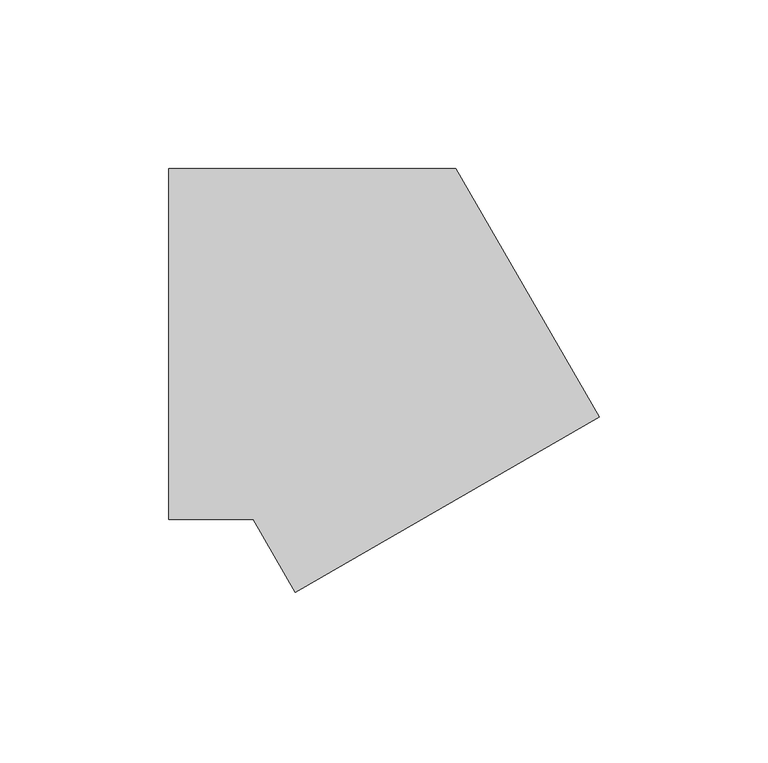
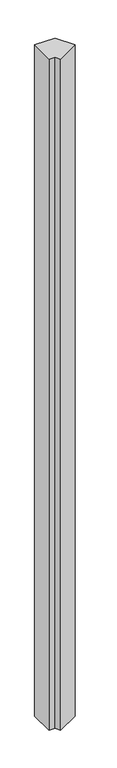
"""IFC4 building model written with IfcOpenShell, lengths in millimetres: member geometry."""

import ifcopenshell
import ifcopenshell.guid

model = None  # the IFC model being written
_history = None  # IfcOwnerHistory: only IFC2X3 demands one
_inside = {}  # id of a spatial element -> (the spatial element, [elements in it])
_under = {}  # id of a project, library or spatial element -> (it, [spatial elements below it])
_declared = {}  # id of a project -> (the project, [libraries it declares])
_typed = {}  # id of a type object -> (the type object, [elements of that type])
_made_of = {}  # id of a material, layer set ... -> (it, [elements and type objects made of it])


def new_model(schema):
    """Start an empty IFC model of exactly this schema.

    Asked for "IFC4X3", IfcOpenShell would pick the latest addendum, in which some entities
    have other attributes; the version numbers below select the first issue.
    IFC2X3 requires an IfcOwnerHistory on every rooted entity: one is made here for all.
    """
    global model, _history
    if schema == "IFC4X3":
        model = ifcopenshell.file(schema_version=(4, 3, 0, 0))
    else:
        model = ifcopenshell.file(schema=schema)
    _inside.clear()
    _under.clear()
    _declared.clear()
    _typed.clear()
    _made_of.clear()
    _history = None
    if model.schema == "IFC2X3":
        org = make("IfcOrganization", Name="unknown")
        user = make(
            "IfcPersonAndOrganization",
            ThePerson=make("IfcPerson", FamilyName="unknown"),
            TheOrganization=org,
        )
        app = make(
            "IfcApplication",
            ApplicationDeveloper=org,
            Version="unknown",
            ApplicationFullName="unknown",
            ApplicationIdentifier="unknown",
        )
        _history = make(
            "IfcOwnerHistory",
            OwningUser=user,
            OwningApplication=app,
            ChangeAction="ADDED",
            CreationDate=0,
        )
    return model


def make(cls, **values):
    """One entity of the class cls with the attributes given. An attribute that is None is left unset."""
    return model.create_entity(
        cls, **{name: value for name, value in values.items() if value is not None}
    )


def rooted(cls, **values):
    """An entity with a GlobalId (a new one), such as an element, a storey or a relation."""
    return make(cls, GlobalId=ifcopenshell.guid.new(), OwnerHistory=_history, **values)


def si_unit(unit_type, name, prefix=None):
    """IfcSIUnit, for example si_unit("LENGTHUNIT", "METRE", prefix="MILLI")."""
    return make("IfcSIUnit", UnitType=unit_type, Prefix=prefix, Name=name)


def assignment(units):
    """IfcUnitAssignment: the units of a project."""
    return None if units is None else make("IfcUnitAssignment", Units=units)


def point(xyz):
    """IfcCartesianPoint."""
    return None if xyz is None else make("IfcCartesianPoint", Coordinates=xyz)


def direction(xyz):
    """IfcDirection."""
    return None if xyz is None else make("IfcDirection", DirectionRatios=xyz)


def frame(location, z_axis=None, x_axis=None):
    """IfcAxis2Placement3D, a coordinate frame: its origin and axes. An axis left out is left unset."""
    return make(
        "IfcAxis2Placement3D",
        Location=point(location),
        Axis=direction(z_axis),
        RefDirection=direction(x_axis),
    )


def origin():
    """The frame at (0, 0, 0) with its axes left unset."""
    return frame((0.0, 0.0, 0.0))


def place(relative_to, where):
    """IfcLocalPlacement: puts the frame where relative to a parent placement (None: the world)."""
    return make(
        "IfcLocalPlacement", PlacementRelTo=relative_to, RelativePlacement=where
    )


def context(
    kind, dimensions, precision=None, world=None, true_north=None, identifier=None
):
    """IfcGeometricRepresentationContext, for example the 3D "Model" context."""
    return make(
        "IfcGeometricRepresentationContext",
        ContextIdentifier=identifier,
        ContextType=kind,
        CoordinateSpaceDimension=dimensions,
        Precision=precision,
        WorldCoordinateSystem=world,
        TrueNorth=true_north,
    )


def project(units=None, contexts=None):
    """IfcProject with its units and contexts."""
    return rooted(
        "IfcProject",
        Name="project",
        RepresentationContexts=contexts,
        UnitsInContext=assignment(units),
    )


def spatial(cls, under=None, at=None, **own):
    """A site, building, storey or space (cls), placed at a placement, below another one or the project."""
    s = rooted(cls, ObjectPlacement=at, **own)
    if under is not None:
        _under.setdefault(under.id(), (under, []))[1].append(s)
    return s


def polyline(points):
    """IfcPolyline through the points."""
    return make("IfcPolyline", Points=[point(p) for p in points])


def outline(outer, holes=None, kind="AREA"):
    """IfcArbitraryClosedProfileDef: a profile drawn as a closed curve; with holes, ...WithVoids."""
    if holes is None:
        return make("IfcArbitraryClosedProfileDef", ProfileType=kind, OuterCurve=outer)
    return make(
        "IfcArbitraryProfileDefWithVoids",
        ProfileType=kind,
        OuterCurve=outer,
        InnerCurves=holes,
    )


def extrude(swept, where, along, depth):
    """IfcExtrudedAreaSolid: the profile swept, set in the frame where, extruded along a direction by depth."""
    return make(
        "IfcExtrudedAreaSolid",
        SweptArea=swept,
        Position=where,
        ExtrudedDirection=direction(along),
        Depth=depth,
    )


def shape(context_of_items, identifier, shape_type, items):
    """IfcShapeRepresentation: the items that make up one representation, for example the "Body"."""
    return make(
        "IfcShapeRepresentation",
        ContextOfItems=context_of_items,
        RepresentationIdentifier=identifier,
        RepresentationType=shape_type,
        Items=items,
    )


def source(mapping_origin, context_of_items, identifier, shape_type, items):
    """IfcRepresentationMap: a shape defined once, which mapped items show again and again."""
    return make(
        "IfcRepresentationMap",
        MappingOrigin=mapping_origin,
        MappedRepresentation=shape(context_of_items, identifier, shape_type, items),
    )


def transform(
    local_origin,
    x_axis=None,
    y_axis=None,
    z_axis=None,
    scale=None,
    scale2=None,
    scale3=None,
    uniform=True,
):
    """IfcCartesianTransformationOperator3D, or its non-uniform kind. x_axis, y_axis, z_axis: its Axis1, 2, 3."""
    if uniform:
        return make(
            "IfcCartesianTransformationOperator3D",
            Axis1=direction(x_axis),
            Axis2=direction(y_axis),
            LocalOrigin=point(local_origin),
            Scale=scale,
            Axis3=direction(z_axis),
        )
    return make(
        "IfcCartesianTransformationOperator3DnonUniform",
        Axis1=direction(x_axis),
        Axis2=direction(y_axis),
        LocalOrigin=point(local_origin),
        Scale=scale,
        Axis3=direction(z_axis),
        Scale2=scale2,
        Scale3=scale3,
    )


def mapped(mapping_source, mapping_target):
    """IfcMappedItem: shows the shape of a source again, moved by a transform."""
    return make(
        "IfcMappedItem", MappingSource=mapping_source, MappingTarget=mapping_target
    )


def made_of(thing, what):
    """Note that an element or type object is made of a material, layer set ...; save() writes the relation."""
    if what is not None:
        _made_of.setdefault(what.id(), (what, []))[1].append(thing)
    return thing


def element(
    cls,
    number,
    at=None,
    inside=None,
    cuts=None,
    type_object=None,
    material=None,
    context=None,
    identifier="Body",
    shape_type=None,
    held_by="IfcProductDefinitionShape",
    body=None,
    shapes=None,
    **own,
):
    """One element of the class cls, such as IfcWall. Its Tag is "e" and its number.

    at: its placement. inside: the storey or other place that contains it. cuts: it is an
    opening in that element (IfcRelVoidsElement). A single representation is given by context,
    identifier, shape_type and body (its items); several are given by shapes. held_by: the class
    of the entity that holds the representations. save() writes the other relations.
    """
    e = rooted(cls, Tag="e%d" % number, ObjectPlacement=at, **own)
    if body is not None:
        shapes = [shape(context, identifier, shape_type, body)]
    if shapes is not None:
        e.Representation = make(held_by, Representations=shapes)
    if inside is not None:
        _inside.setdefault(inside.id(), (inside, []))[1].append(e)
    if cuts is not None:
        rooted(
            "IfcRelVoidsElement", RelatingBuildingElement=cuts, RelatedOpeningElement=e
        )
    if type_object is not None:
        _typed.setdefault(type_object.id(), (type_object, []))[1].append(e)
    return made_of(e, material)


def aggregate(whole, parts):
    """IfcRelAggregates: a whole, such as a stair, and the parts it consists of."""
    return rooted("IfcRelAggregates", RelatingObject=whole, RelatedObjects=parts)


def save(model, path):
    """Write the relations noted so far, then the file.

    IfcRelAggregates (storeys below a building ...), IfcRelContainedInSpatialStructure (elements
    in a storey), IfcRelDefinesByType, IfcRelAssociatesMaterial and IfcRelDeclares: one each for
    every whole, place, type object, material and project.
    """
    for whole, parts in _under.values():
        aggregate(whole, parts)
    for where, things in _inside.values():
        rooted(
            "IfcRelContainedInSpatialStructure",
            RelatedElements=things,
            RelatingStructure=where,
        )
    for kind, things in _typed.values():
        rooted("IfcRelDefinesByType", RelatedObjects=things, RelatingType=kind)
    for what, things in _made_of.values():
        rooted("IfcRelAssociatesMaterial", RelatedObjects=things, RelatingMaterial=what)
    for by, libraries in _declared.values():
        rooted("IfcRelDeclares", RelatingContext=by, RelatedDefinitions=libraries)
    model.write(path)


def member_b8af47ff(model_context):
    return source(origin(), model_context, "Body", "SweptSolid", [
        extrude(outline(polyline([(-17.533321, -73.6313972), (-30.022214, -52.0), (-55.0, -52.0), (-55.0, 52.0), (30.022214, 52.0), (72.533321, -21.6313972), (-17.533321, -73.6313972)])), frame((0.0, 0.0, -3000.0), z_axis=(0.0, 0.0, 1.0), x_axis=(1.0, 0.0, 0.0)), (0.0, 0.0, 1.0), 3000.0),
    ])


if __name__ == "__main__":
    model = new_model("IFC4")
    model_context = context("Model", 3, world=origin())
    ifc_project = project(units=[si_unit("LENGTHUNIT", "METRE", prefix="MILLI")], contexts=[model_context])
    site = spatial("IfcSite", under=ifc_project)
    building = spatial("IfcBuilding", under=site)
    placement = place(None, origin())
    member_shape = member_b8af47ff(model_context)
    element("IfcMember", 1, at=placement, inside=building, context=model_context, shape_type="MappedRepresentation", body=[
        mapped(member_shape, transform((0.0, 0.0, 0.0), x_axis=(1.0, 0.0, 0.0), y_axis=(0.0, 1.0, 0.0), z_axis=(0.0, 0.0, 1.0))),
    ])
    save(model, "model.ifc")
